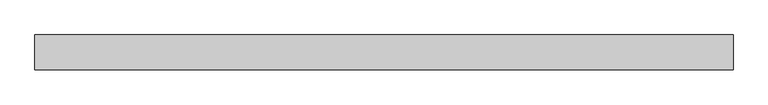
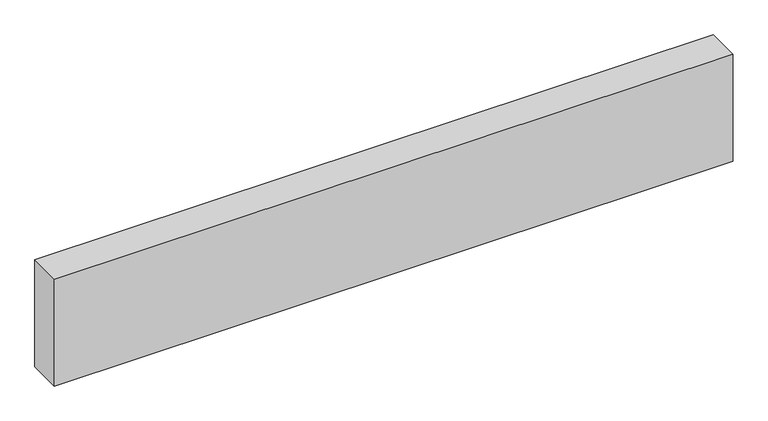
"""IFC4 building model written with IfcOpenShell, lengths in millimetres: proxy geometry."""

import ifcopenshell
import ifcopenshell.guid

model = None  # the IFC model being written
_history = None  # IfcOwnerHistory: only IFC2X3 demands one
_inside = {}  # id of a spatial element -> (the spatial element, [elements in it])
_under = {}  # id of a project, library or spatial element -> (it, [spatial elements below it])
_declared = {}  # id of a project -> (the project, [libraries it declares])
_typed = {}  # id of a type object -> (the type object, [elements of that type])
_made_of = {}  # id of a material, layer set ... -> (it, [elements and type objects made of it])


def new_model(schema):
    """Start an empty IFC model of exactly this schema.

    Asked for "IFC4X3", IfcOpenShell would pick the latest addendum, in which some entities
    have other attributes; the version numbers below select the first issue.
    IFC2X3 requires an IfcOwnerHistory on every rooted entity: one is made here for all.
    """
    global model, _history
    if schema == "IFC4X3":
        model = ifcopenshell.file(schema_version=(4, 3, 0, 0))
    else:
        model = ifcopenshell.file(schema=schema)
    _inside.clear()
    _under.clear()
    _declared.clear()
    _typed.clear()
    _made_of.clear()
    _history = None
    if model.schema == "IFC2X3":
        org = make("IfcOrganization", Name="unknown")
        user = make(
            "IfcPersonAndOrganization",
            ThePerson=make("IfcPerson", FamilyName="unknown"),
            TheOrganization=org,
        )
        app = make(
            "IfcApplication",
            ApplicationDeveloper=org,
            Version="unknown",
            ApplicationFullName="unknown",
            ApplicationIdentifier="unknown",
        )
        _history = make(
            "IfcOwnerHistory",
            OwningUser=user,
            OwningApplication=app,
            ChangeAction="ADDED",
            CreationDate=0,
        )
    return model


def make(cls, **values):
    """One entity of the class cls with the attributes given. An attribute that is None is left unset."""
    return model.create_entity(
        cls, **{name: value for name, value in values.items() if value is not None}
    )


def rooted(cls, **values):
    """An entity with a GlobalId (a new one), such as an element, a storey or a relation."""
    return make(cls, GlobalId=ifcopenshell.guid.new(), OwnerHistory=_history, **values)


def si_unit(unit_type, name, prefix=None):
    """IfcSIUnit, for example si_unit("LENGTHUNIT", "METRE", prefix="MILLI")."""
    return make("IfcSIUnit", UnitType=unit_type, Prefix=prefix, Name=name)


def assignment(units):
    """IfcUnitAssignment: the units of a project."""
    return None if units is None else make("IfcUnitAssignment", Units=units)


def point(xyz):
    """IfcCartesianPoint."""
    return None if xyz is None else make("IfcCartesianPoint", Coordinates=xyz)


def direction(xyz):
    """IfcDirection."""
    return None if xyz is None else make("IfcDirection", DirectionRatios=xyz)


def frame(location, z_axis=None, x_axis=None):
    """IfcAxis2Placement3D, a coordinate frame: its origin and axes. An axis left out is left unset."""
    return make(
        "IfcAxis2Placement3D",
        Location=point(location),
        Axis=direction(z_axis),
        RefDirection=direction(x_axis),
    )


def origin():
    """The frame at (0, 0, 0) with its axes left unset."""
    return frame((0.0, 0.0, 0.0))


def origin_with_axes():
    """The frame at (0, 0, 0) with the z axis (0, 0, 1) and the x axis (1, 0, 0) written out."""
    return frame((0.0, 0.0, 0.0), z_axis=(0.0, 0.0, 1.0), x_axis=(1.0, 0.0, 0.0))


def place(relative_to, where):
    """IfcLocalPlacement: puts the frame where relative to a parent placement (None: the world)."""
    return make(
        "IfcLocalPlacement", PlacementRelTo=relative_to, RelativePlacement=where
    )


def context(
    kind, dimensions, precision=None, world=None, true_north=None, identifier=None
):
    """IfcGeometricRepresentationContext, for example the 3D "Model" context."""
    return make(
        "IfcGeometricRepresentationContext",
        ContextIdentifier=identifier,
        ContextType=kind,
        CoordinateSpaceDimension=dimensions,
        Precision=precision,
        WorldCoordinateSystem=world,
        TrueNorth=true_north,
    )


def project(units=None, contexts=None):
    """IfcProject with its units and contexts."""
    return rooted(
        "IfcProject",
        Name="project",
        RepresentationContexts=contexts,
        UnitsInContext=assignment(units),
    )


def spatial(cls, under=None, at=None, **own):
    """A site, building, storey or space (cls), placed at a placement, below another one or the project."""
    s = rooted(cls, ObjectPlacement=at, **own)
    if under is not None:
        _under.setdefault(under.id(), (under, []))[1].append(s)
    return s


def polyline(points):
    """IfcPolyline through the points."""
    return make("IfcPolyline", Points=[point(p) for p in points])


def outline(outer, holes=None, kind="AREA"):
    """IfcArbitraryClosedProfileDef: a profile drawn as a closed curve; with holes, ...WithVoids."""
    if holes is None:
        return make("IfcArbitraryClosedProfileDef", ProfileType=kind, OuterCurve=outer)
    return make(
        "IfcArbitraryProfileDefWithVoids",
        ProfileType=kind,
        OuterCurve=outer,
        InnerCurves=holes,
    )


def extrude(swept, where, along, depth):
    """IfcExtrudedAreaSolid: the profile swept, set in the frame where, extruded along a direction by depth."""
    return make(
        "IfcExtrudedAreaSolid",
        SweptArea=swept,
        Position=where,
        ExtrudedDirection=direction(along),
        Depth=depth,
    )


def shape(context_of_items, identifier, shape_type, items):
    """IfcShapeRepresentation: the items that make up one representation, for example the "Body"."""
    return make(
        "IfcShapeRepresentation",
        ContextOfItems=context_of_items,
        RepresentationIdentifier=identifier,
        RepresentationType=shape_type,
        Items=items,
    )


def source(mapping_origin, context_of_items, identifier, shape_type, items):
    """IfcRepresentationMap: a shape defined once, which mapped items show again and again."""
    return make(
        "IfcRepresentationMap",
        MappingOrigin=mapping_origin,
        MappedRepresentation=shape(context_of_items, identifier, shape_type, items),
    )


def transform(
    local_origin,
    x_axis=None,
    y_axis=None,
    z_axis=None,
    scale=None,
    scale2=None,
    scale3=None,
    uniform=True,
):
    """IfcCartesianTransformationOperator3D, or its non-uniform kind. x_axis, y_axis, z_axis: its Axis1, 2, 3."""
    if uniform:
        return make(
            "IfcCartesianTransformationOperator3D",
            Axis1=direction(x_axis),
            Axis2=direction(y_axis),
            LocalOrigin=point(local_origin),
            Scale=scale,
            Axis3=direction(z_axis),
        )
    return make(
        "IfcCartesianTransformationOperator3DnonUniform",
        Axis1=direction(x_axis),
        Axis2=direction(y_axis),
        LocalOrigin=point(local_origin),
        Scale=scale,
        Axis3=direction(z_axis),
        Scale2=scale2,
        Scale3=scale3,
    )


def mapped(mapping_source, mapping_target):
    """IfcMappedItem: shows the shape of a source again, moved by a transform."""
    return make(
        "IfcMappedItem", MappingSource=mapping_source, MappingTarget=mapping_target
    )


def made_of(thing, what):
    """Note that an element or type object is made of a material, layer set ...; save() writes the relation."""
    if what is not None:
        _made_of.setdefault(what.id(), (what, []))[1].append(thing)
    return thing


def element(
    cls,
    number,
    at=None,
    inside=None,
    cuts=None,
    type_object=None,
    material=None,
    context=None,
    identifier="Body",
    shape_type=None,
    held_by="IfcProductDefinitionShape",
    body=None,
    shapes=None,
    **own,
):
    """One element of the class cls, such as IfcWall. Its Tag is "e" and its number.

    at: its placement. inside: the storey or other place that contains it. cuts: it is an
    opening in that element (IfcRelVoidsElement). A single representation is given by context,
    identifier, shape_type and body (its items); several are given by shapes. held_by: the class
    of the entity that holds the representations. save() writes the other relations.
    """
    e = rooted(cls, Tag="e%d" % number, ObjectPlacement=at, **own)
    if body is not None:
        shapes = [shape(context, identifier, shape_type, body)]
    if shapes is not None:
        e.Representation = make(held_by, Representations=shapes)
    if inside is not None:
        _inside.setdefault(inside.id(), (inside, []))[1].append(e)
    if cuts is not None:
        rooted(
            "IfcRelVoidsElement", RelatingBuildingElement=cuts, RelatedOpeningElement=e
        )
    if type_object is not None:
        _typed.setdefault(type_object.id(), (type_object, []))[1].append(e)
    return made_of(e, material)


def aggregate(whole, parts):
    """IfcRelAggregates: a whole, such as a stair, and the parts it consists of."""
    return rooted("IfcRelAggregates", RelatingObject=whole, RelatedObjects=parts)


def save(model, path):
    """Write the relations noted so far, then the file.

    IfcRelAggregates (storeys below a building ...), IfcRelContainedInSpatialStructure (elements
    in a storey), IfcRelDefinesByType, IfcRelAssociatesMaterial and IfcRelDeclares: one each for
    every whole, place, type object, material and project.
    """
    for whole, parts in _under.values():
        aggregate(whole, parts)
    for where, things in _inside.values():
        rooted(
            "IfcRelContainedInSpatialStructure",
            RelatedElements=things,
            RelatingStructure=where,
        )
    for kind, things in _typed.values():
        rooted("IfcRelDefinesByType", RelatedObjects=things, RelatingType=kind)
    for what, things in _made_of.values():
        rooted("IfcRelAssociatesMaterial", RelatedObjects=things, RelatingMaterial=what)
    for by, libraries in _declared.values():
        rooted("IfcRelDeclares", RelatingContext=by, RelatedDefinitions=libraries)
    model.write(path)


def generic_models_9112c04f(model_context):
    return source(origin(), model_context, "Body", "SweptSolid", [
        extrude(outline(polyline([(0.0, 300.0), (0.0, 0.0), (-6000.0, 0.0), (-6000.0, 300.0), (0.0, 300.0)])), origin_with_axes(), (0.0, 0.0, 1.0), 1000.0),
    ])


if __name__ == "__main__":
    model = new_model("IFC4")
    model_context = context("Model", 3, world=origin())
    ifc_project = project(units=[si_unit("LENGTHUNIT", "METRE", prefix="MILLI")], contexts=[model_context])
    site = spatial("IfcSite", under=ifc_project)
    building = spatial("IfcBuilding", under=site)
    placement = place(None, origin())
    generic_models_shape = generic_models_9112c04f(model_context)
    element("IfcBuildingElementProxy", 1, Name="Generic Models", at=placement, inside=building, context=model_context, shape_type="MappedRepresentation", body=[
        mapped(generic_models_shape, transform((0.0, 0.0, 0.0), x_axis=(1.0, 0.0, 0.0), y_axis=(0.0, 1.0, 0.0), z_axis=(0.0, 0.0, 1.0))),
    ])
    save(model, "model.ifc")
